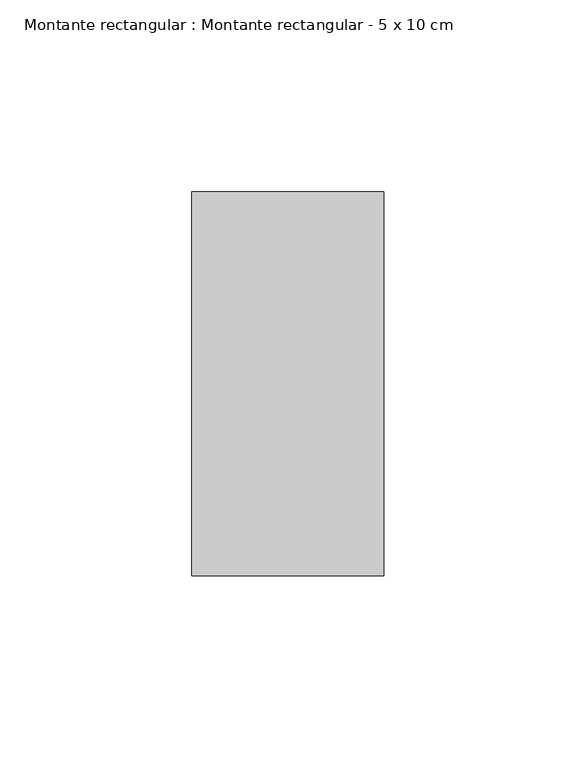
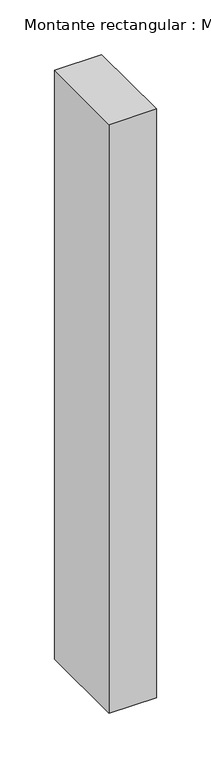
"""IFC4 building model written with IfcOpenShell, lengths in millimetres: member geometry, Montante rectangular : Montante rectangular - 5 x 10 cm."""

import ifcopenshell
import ifcopenshell.guid

model = None  # the IFC model being written
_history = None  # IfcOwnerHistory: only IFC2X3 demands one
_inside = {}  # id of a spatial element -> (the spatial element, [elements in it])
_under = {}  # id of a project, library or spatial element -> (it, [spatial elements below it])
_declared = {}  # id of a project -> (the project, [libraries it declares])
_typed = {}  # id of a type object -> (the type object, [elements of that type])
_made_of = {}  # id of a material, layer set ... -> (it, [elements and type objects made of it])


def new_model(schema):
    """Start an empty IFC model of exactly this schema.

    Asked for "IFC4X3", IfcOpenShell would pick the latest addendum, in which some entities
    have other attributes; the version numbers below select the first issue.
    IFC2X3 requires an IfcOwnerHistory on every rooted entity: one is made here for all.
    """
    global model, _history
    if schema == "IFC4X3":
        model = ifcopenshell.file(schema_version=(4, 3, 0, 0))
    else:
        model = ifcopenshell.file(schema=schema)
    _inside.clear()
    _under.clear()
    _declared.clear()
    _typed.clear()
    _made_of.clear()
    _history = None
    if model.schema == "IFC2X3":
        org = make("IfcOrganization", Name="unknown")
        user = make(
            "IfcPersonAndOrganization",
            ThePerson=make("IfcPerson", FamilyName="unknown"),
            TheOrganization=org,
        )
        app = make(
            "IfcApplication",
            ApplicationDeveloper=org,
            Version="unknown",
            ApplicationFullName="unknown",
            ApplicationIdentifier="unknown",
        )
        _history = make(
            "IfcOwnerHistory",
            OwningUser=user,
            OwningApplication=app,
            ChangeAction="ADDED",
            CreationDate=0,
        )
    return model


def make(cls, **values):
    """One entity of the class cls with the attributes given. An attribute that is None is left unset."""
    return model.create_entity(
        cls, **{name: value for name, value in values.items() if value is not None}
    )


def rooted(cls, **values):
    """An entity with a GlobalId (a new one), such as an element, a storey or a relation."""
    return make(cls, GlobalId=ifcopenshell.guid.new(), OwnerHistory=_history, **values)


def si_unit(unit_type, name, prefix=None):
    """IfcSIUnit, for example si_unit("LENGTHUNIT", "METRE", prefix="MILLI")."""
    return make("IfcSIUnit", UnitType=unit_type, Prefix=prefix, Name=name)


def assignment(units):
    """IfcUnitAssignment: the units of a project."""
    return None if units is None else make("IfcUnitAssignment", Units=units)


def point(xyz):
    """IfcCartesianPoint."""
    return None if xyz is None else make("IfcCartesianPoint", Coordinates=xyz)


def direction(xyz):
    """IfcDirection."""
    return None if xyz is None else make("IfcDirection", DirectionRatios=xyz)


def frame(location, z_axis=None, x_axis=None):
    """IfcAxis2Placement3D, a coordinate frame: its origin and axes. An axis left out is left unset."""
    return make(
        "IfcAxis2Placement3D",
        Location=point(location),
        Axis=direction(z_axis),
        RefDirection=direction(x_axis),
    )


def origin():
    """The frame at (0, 0, 0) with its axes left unset."""
    return frame((0.0, 0.0, 0.0))


def place(relative_to, where):
    """IfcLocalPlacement: puts the frame where relative to a parent placement (None: the world)."""
    return make(
        "IfcLocalPlacement", PlacementRelTo=relative_to, RelativePlacement=where
    )


def context(
    kind, dimensions, precision=None, world=None, true_north=None, identifier=None
):
    """IfcGeometricRepresentationContext, for example the 3D "Model" context."""
    return make(
        "IfcGeometricRepresentationContext",
        ContextIdentifier=identifier,
        ContextType=kind,
        CoordinateSpaceDimension=dimensions,
        Precision=precision,
        WorldCoordinateSystem=world,
        TrueNorth=true_north,
    )


def project(units=None, contexts=None):
    """IfcProject with its units and contexts."""
    return rooted(
        "IfcProject",
        Name="project",
        RepresentationContexts=contexts,
        UnitsInContext=assignment(units),
    )


def spatial(cls, under=None, at=None, **own):
    """A site, building, storey or space (cls), placed at a placement, below another one or the project."""
    s = rooted(cls, ObjectPlacement=at, **own)
    if under is not None:
        _under.setdefault(under.id(), (under, []))[1].append(s)
    return s


def polyline(points):
    """IfcPolyline through the points."""
    return make("IfcPolyline", Points=[point(p) for p in points])


def outline(outer, holes=None, kind="AREA"):
    """IfcArbitraryClosedProfileDef: a profile drawn as a closed curve; with holes, ...WithVoids."""
    if holes is None:
        return make("IfcArbitraryClosedProfileDef", ProfileType=kind, OuterCurve=outer)
    return make(
        "IfcArbitraryProfileDefWithVoids",
        ProfileType=kind,
        OuterCurve=outer,
        InnerCurves=holes,
    )


def extrude(swept, where, along, depth):
    """IfcExtrudedAreaSolid: the profile swept, set in the frame where, extruded along a direction by depth."""
    return make(
        "IfcExtrudedAreaSolid",
        SweptArea=swept,
        Position=where,
        ExtrudedDirection=direction(along),
        Depth=depth,
    )


def shape(context_of_items, identifier, shape_type, items):
    """IfcShapeRepresentation: the items that make up one representation, for example the "Body"."""
    return make(
        "IfcShapeRepresentation",
        ContextOfItems=context_of_items,
        RepresentationIdentifier=identifier,
        RepresentationType=shape_type,
        Items=items,
    )


def source(mapping_origin, context_of_items, identifier, shape_type, items):
    """IfcRepresentationMap: a shape defined once, which mapped items show again and again."""
    return make(
        "IfcRepresentationMap",
        MappingOrigin=mapping_origin,
        MappedRepresentation=shape(context_of_items, identifier, shape_type, items),
    )


def transform(
    local_origin,
    x_axis=None,
    y_axis=None,
    z_axis=None,
    scale=None,
    scale2=None,
    scale3=None,
    uniform=True,
):
    """IfcCartesianTransformationOperator3D, or its non-uniform kind. x_axis, y_axis, z_axis: its Axis1, 2, 3."""
    if uniform:
        return make(
            "IfcCartesianTransformationOperator3D",
            Axis1=direction(x_axis),
            Axis2=direction(y_axis),
            LocalOrigin=point(local_origin),
            Scale=scale,
            Axis3=direction(z_axis),
        )
    return make(
        "IfcCartesianTransformationOperator3DnonUniform",
        Axis1=direction(x_axis),
        Axis2=direction(y_axis),
        LocalOrigin=point(local_origin),
        Scale=scale,
        Axis3=direction(z_axis),
        Scale2=scale2,
        Scale3=scale3,
    )


def mapped(mapping_source, mapping_target):
    """IfcMappedItem: shows the shape of a source again, moved by a transform."""
    return make(
        "IfcMappedItem", MappingSource=mapping_source, MappingTarget=mapping_target
    )


def made_of(thing, what):
    """Note that an element or type object is made of a material, layer set ...; save() writes the relation."""
    if what is not None:
        _made_of.setdefault(what.id(), (what, []))[1].append(thing)
    return thing


def element(
    cls,
    number,
    at=None,
    inside=None,
    cuts=None,
    type_object=None,
    material=None,
    context=None,
    identifier="Body",
    shape_type=None,
    held_by="IfcProductDefinitionShape",
    body=None,
    shapes=None,
    **own,
):
    """One element of the class cls, such as IfcWall. Its Tag is "e" and its number.

    at: its placement. inside: the storey or other place that contains it. cuts: it is an
    opening in that element (IfcRelVoidsElement). A single representation is given by context,
    identifier, shape_type and body (its items); several are given by shapes. held_by: the class
    of the entity that holds the representations. save() writes the other relations.
    """
    e = rooted(cls, Tag="e%d" % number, ObjectPlacement=at, **own)
    if body is not None:
        shapes = [shape(context, identifier, shape_type, body)]
    if shapes is not None:
        e.Representation = make(held_by, Representations=shapes)
    if inside is not None:
        _inside.setdefault(inside.id(), (inside, []))[1].append(e)
    if cuts is not None:
        rooted(
            "IfcRelVoidsElement", RelatingBuildingElement=cuts, RelatedOpeningElement=e
        )
    if type_object is not None:
        _typed.setdefault(type_object.id(), (type_object, []))[1].append(e)
    return made_of(e, material)


def aggregate(whole, parts):
    """IfcRelAggregates: a whole, such as a stair, and the parts it consists of."""
    return rooted("IfcRelAggregates", RelatingObject=whole, RelatedObjects=parts)


def save(model, path):
    """Write the relations noted so far, then the file.

    IfcRelAggregates (storeys below a building ...), IfcRelContainedInSpatialStructure (elements
    in a storey), IfcRelDefinesByType, IfcRelAssociatesMaterial and IfcRelDeclares: one each for
    every whole, place, type object, material and project.
    """
    for whole, parts in _under.values():
        aggregate(whole, parts)
    for where, things in _inside.values():
        rooted(
            "IfcRelContainedInSpatialStructure",
            RelatedElements=things,
            RelatingStructure=where,
        )
    for kind, things in _typed.values():
        rooted("IfcRelDefinesByType", RelatedObjects=things, RelatingType=kind)
    for what, things in _made_of.values():
        rooted("IfcRelAssociatesMaterial", RelatedObjects=things, RelatingMaterial=what)
    for by, libraries in _declared.values():
        rooted("IfcRelDeclares", RelatingContext=by, RelatedDefinitions=libraries)
    model.write(path)


def montante_rectangular_montante_rectangular_5_x_10_cm_ef5c2d79(model_context):
    return source(origin(), model_context, "Body", "SweptSolid", [
        extrude(outline(polyline([(-50.0, 50.0), (0.0, 50.0), (0.0, -50.0), (-50.0, -50.0), (-50.0, 50.0)])), frame((0.0, 0.0, -657.9880917), z_axis=(0.0, 0.0, 1.0), x_axis=(1.0, 0.0, 0.0)), (0.0, 0.0, 1.0), 657.9880917),
    ])


if __name__ == "__main__":
    model = new_model("IFC4")
    model_context = context("Model", 3, world=origin())
    ifc_project = project(units=[si_unit("LENGTHUNIT", "METRE", prefix="MILLI")], contexts=[model_context])
    site = spatial("IfcSite", under=ifc_project)
    building = spatial("IfcBuilding", under=site)
    placement = place(None, origin())
    montante_rectangular_montante_rectangular_5_x_10_cm_shape = montante_rectangular_montante_rectangular_5_x_10_cm_ef5c2d79(model_context)
    element("IfcMember", 1, ObjectType="Montante rectangular : Montante rectangular - 5 x 10 cm", at=placement, inside=building, context=model_context, shape_type="MappedRepresentation", body=[
        mapped(montante_rectangular_montante_rectangular_5_x_10_cm_shape, transform((0.0, 0.0, 0.0), x_axis=(1.0, 0.0, 0.0), y_axis=(0.0, 1.0, 0.0), z_axis=(0.0, 0.0, 1.0))),
    ])
    save(model, "model.ifc")
